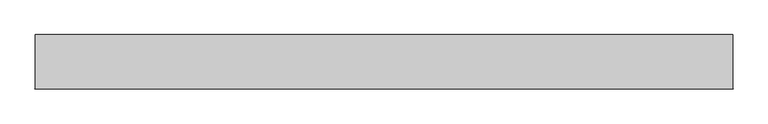
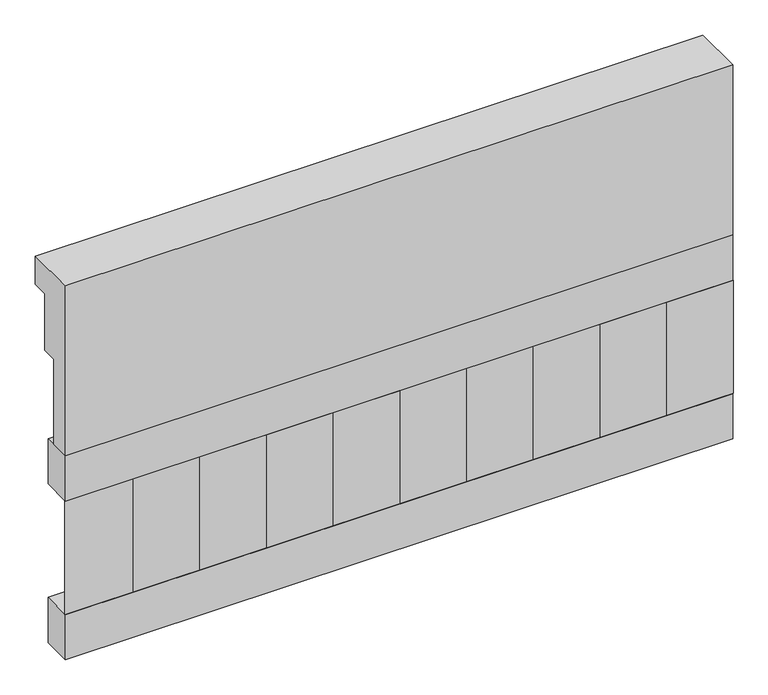
"""IFC4 building model written with IfcOpenShell, lengths in millimetres: railing geometry."""

from ifc_helpers import new_model, si_unit, frame, origin, place, context, project, spatial, polyline, outline, extrude, source, transform, mapped, element, save


def railing_1f416299(model_context):
    return source(origin(), model_context, "Body", "SweptSolid", [
        extrude(outline(polyline([(903.1079487, 18500.0), (1033.1079487, 18500.0), (1033.1079487, 18425.0), (993.1079487, 18425.0), (993.1079487, 18275.0), (953.1079487, 18275.0), (953.1079487, 18050.0), (903.1079487, 18050.0), (903.1079487, 18500.0)])), frame((36460.0112841, 0.0, 0.0), z_axis=(1.0, 0.0, 0.0), x_axis=(0.0, 1.0, 0.0)), (0.0, 0.0, 1.0), 1670.0),
        extrude(outline(polyline([(38130.0112841, 978.1079487), (38130.0112841, 903.1079487), (36460.0112841, 903.1079487), (36460.0112841, 978.1079487), (38130.0112841, 978.1079487)])), frame((0.0, 0.0, 17930.0), z_axis=(0.0, 0.0, 1.0), x_axis=(1.0, 0.0, 0.0)), (0.0, 0.0, 1.0), 120.0),
        extrude(outline(polyline([(38130.0112841, 978.1079487), (38130.0112841, 903.1079487), (36460.0112841, 903.1079487), (36460.0112841, 978.1079487), (38130.0112841, 978.1079487)])), frame((0.0, 0.0, 17510.0), z_axis=(0.0, 0.0, 1.0), x_axis=(1.0, 0.0, 0.0)), (0.0, 0.0, 1.0), 120.0),
        extrude(outline(polyline([(36543.5112841, 987.9607624), (36628.3640978, 903.1079487), (36458.6584704, 903.1079487), (36543.5112841, 987.9607624)])), frame((0.0, 0.0, 17630.0), z_axis=(0.0, 0.0, 1.0), x_axis=(1.0, 0.0, 0.0)), (0.0, 0.0, 1.0), 300.0),
        extrude(outline(polyline([(36710.5112841, 987.9607624), (36795.3640978, 903.1079487), (36625.6584704, 903.1079487), (36710.5112841, 987.9607624)])), frame((0.0, 0.0, 17630.0), z_axis=(0.0, 0.0, 1.0), x_axis=(1.0, 0.0, 0.0)), (0.0, 0.0, 1.0), 300.0),
        extrude(outline(polyline([(36877.5112841, 987.9607624), (36962.3640978, 903.1079487), (36792.6584704, 903.1079487), (36877.5112841, 987.9607624)])), frame((0.0, 0.0, 17630.0), z_axis=(0.0, 0.0, 1.0), x_axis=(1.0, 0.0, 0.0)), (0.0, 0.0, 1.0), 300.0),
        extrude(outline(polyline([(37044.5112841, 987.9607624), (37129.3640978, 903.1079487), (36959.6584704, 903.1079487), (37044.5112841, 987.9607624)])), frame((0.0, 0.0, 17630.0), z_axis=(0.0, 0.0, 1.0), x_axis=(1.0, 0.0, 0.0)), (0.0, 0.0, 1.0), 300.0),
        extrude(outline(polyline([(37211.5112841, 987.9607624), (37296.3640978, 903.1079487), (37126.6584704, 903.1079487), (37211.5112841, 987.9607624)])), frame((0.0, 0.0, 17630.0), z_axis=(0.0, 0.0, 1.0), x_axis=(1.0, 0.0, 0.0)), (0.0, 0.0, 1.0), 300.0),
        extrude(outline(polyline([(37378.5112841, 987.9607624), (37463.3640978, 903.1079487), (37293.6584704, 903.1079487), (37378.5112841, 987.9607624)])), frame((0.0, 0.0, 17630.0), z_axis=(0.0, 0.0, 1.0), x_axis=(1.0, 0.0, 0.0)), (0.0, 0.0, 1.0), 300.0),
        extrude(outline(polyline([(37545.5112841, 987.9607624), (37630.3640978, 903.1079487), (37460.6584704, 903.1079487), (37545.5112841, 987.9607624)])), frame((0.0, 0.0, 17630.0), z_axis=(0.0, 0.0, 1.0), x_axis=(1.0, 0.0, 0.0)), (0.0, 0.0, 1.0), 300.0),
        extrude(outline(polyline([(37712.5112841, 987.9607624), (37797.3640978, 903.1079487), (37627.6584704, 903.1079487), (37712.5112841, 987.9607624)])), frame((0.0, 0.0, 17630.0), z_axis=(0.0, 0.0, 1.0), x_axis=(1.0, 0.0, 0.0)), (0.0, 0.0, 1.0), 300.0),
        extrude(outline(polyline([(37879.5112841, 987.9607624), (37964.3640978, 903.1079487), (37794.6584704, 903.1079487), (37879.5112841, 987.9607624)])), frame((0.0, 0.0, 17630.0), z_axis=(0.0, 0.0, 1.0), x_axis=(1.0, 0.0, 0.0)), (0.0, 0.0, 1.0), 300.0),
        extrude(outline(polyline([(38046.5112841, 987.9607624), (38131.3640978, 903.1079487), (37961.6584704, 903.1079487), (38046.5112841, 987.9607624)])), frame((0.0, 0.0, 17630.0), z_axis=(0.0, 0.0, 1.0), x_axis=(1.0, 0.0, 0.0)), (0.0, 0.0, 1.0), 300.0),
    ])


if __name__ == "__main__":
    model = new_model("IFC4")
    model_context = context("Model", 3, world=origin())
    ifc_project = project(units=[si_unit("LENGTHUNIT", "METRE", prefix="MILLI")], contexts=[model_context])
    site = spatial("IfcSite", under=ifc_project)
    building = spatial("IfcBuilding", under=site)
    placement = place(None, origin())
    railing_shape = railing_1f416299(model_context)
    element("IfcRailing", 1, at=placement, inside=building, context=model_context, shape_type="MappedRepresentation", body=[
        mapped(railing_shape, transform((0.0, 0.0, 0.0), x_axis=(1.0, 0.0, 0.0), y_axis=(0.0, 1.0, 0.0), z_axis=(0.0, 0.0, 1.0))),
    ])
    save(model, "model.ifc")
